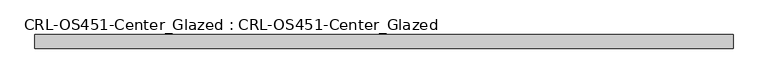
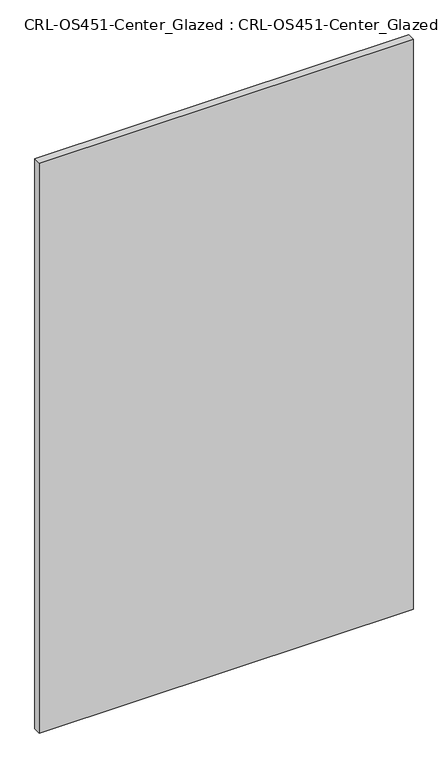
"""IFC4 building model written with IfcOpenShell, lengths in millimetres: plate geometry, CRL-OS451-Center_Glazed : CRL-OS451-Center_Glazed."""

from ifc_helpers import new_model, si_unit, origin, origin_with_axes, place, context, project, spatial, polyline, outline, extrude, source, transform, mapped, element, save


def crl_os451_center_glazed_crl_os451_center_glazed_4b7a632e(model_context):
    return source(origin(), model_context, "Body", "SweptSolid", [
        extrude(outline(polyline([(-630.7647079, 12.709956), (630.7647079, 12.709956), (630.7647079, -12.709956), (-630.7647079, -12.709956), (-630.7647079, 12.709956)])), origin_with_axes(), (0.0, 0.0, 1.0), 2033.8986269),
    ])


if __name__ == "__main__":
    model = new_model("IFC4")
    model_context = context("Model", 3, world=origin())
    ifc_project = project(units=[si_unit("LENGTHUNIT", "METRE", prefix="MILLI")], contexts=[model_context])
    site = spatial("IfcSite", under=ifc_project)
    building = spatial("IfcBuilding", under=site)
    placement = place(None, origin())
    crl_os451_center_glazed_crl_os451_center_glazed_shape = crl_os451_center_glazed_crl_os451_center_glazed_4b7a632e(model_context)
    element("IfcPlate", 1, ObjectType="CRL-OS451-Center_Glazed : CRL-OS451-Center_Glazed", at=placement, inside=building, context=model_context, shape_type="MappedRepresentation", body=[
        mapped(crl_os451_center_glazed_crl_os451_center_glazed_shape, transform((0.0, 0.0, 0.0), x_axis=(1.0, 0.0, 0.0), y_axis=(0.0, 1.0, 0.0), z_axis=(0.0, 0.0, 1.0))),
    ])
    save(model, "model.ifc")
